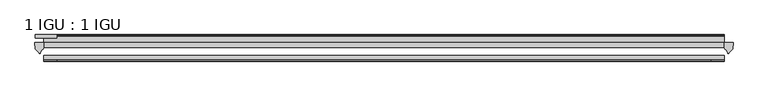
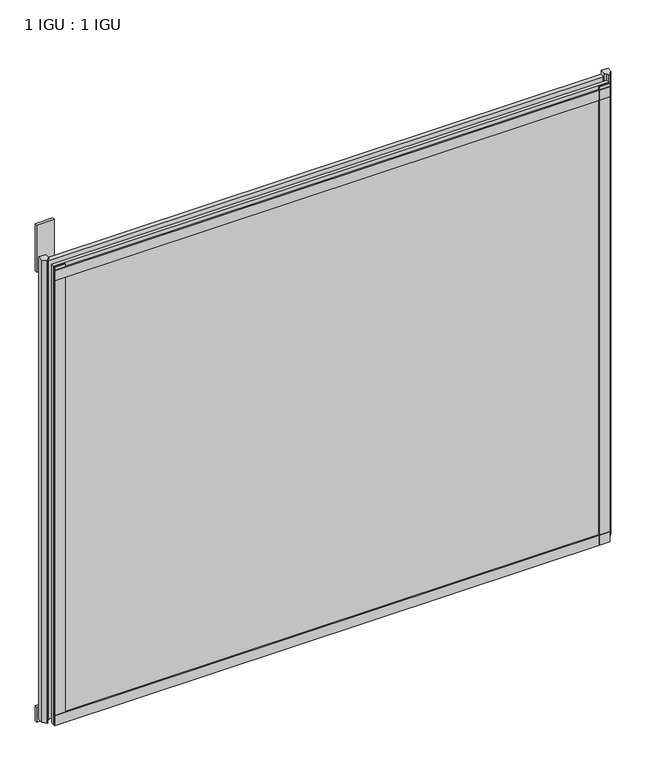
"""IFC4 building model written with IfcOpenShell, lengths in millimetres: plate geometry, 1 IGU : 1 IGU."""

from ifc_helpers import new_model, si_unit, point, frame, frame_2d, origin, place, context, project, spatial, polyline, circle_curve, trimmed, segment, composite_curve, outline, extrude, source, transform, mapped, element, save


def plate_1_igu_1_igu_a392d8fd(model_context):
    return source(origin(), model_context, "Body", "SweptSolid", [
        extrude(outline(polyline([(397.3691094, -11.6085937), (397.3691094, -18.8576359), (-599.5769219, -18.8576359), (-599.5769219, -11.6085937), (397.3691094, -11.6085937)])), frame((0.0, 0.0, -19.05), z_axis=(0.0, 0.0, 1.0), x_axis=(1.0, 0.0, 0.0)), (0.0, 0.0, 1.0), 869.9409101),
        extrude(outline(polyline([(-599.5769219, -30.7093937), (397.3691094, -30.7093937), (397.3691094, -37.0085937), (-599.5769219, -37.0085937), (-599.5769219, -30.7093937)])), frame((0.0, 0.0, -19.05), z_axis=(0.0, 0.0, 1.0), x_axis=(1.0, 0.0, 0.0)), (0.0, 0.0, 1.0), 869.9409101),
        extrude(outline(polyline([(-580.5269219, -5.3578125), (-612.2769219, -5.3578125), (-612.2769219, -0.4960938), (-580.5269219, -0.4960938), (-580.5269219, -5.3578125)])), frame((0.0, 0.0, -28.575), z_axis=(0.0, 0.0, 1.0), x_axis=(1.0, 0.0, 0.0)), (0.0, 0.0, 1.0), 28.575),
        extrude(outline(polyline([(-612.2769219, -5.3578125), (-612.2769219, -0.4960938), (-580.5269219, -0.4960938), (-580.5269219, -5.3578125), (-612.2769219, -5.3578125)])), frame((0.0, 0.0, 825.4909101), z_axis=(0.0, 0.0, 1.0), x_axis=(1.0, 0.0, 0.0)), (0.0, 0.0, 1.0), 88.9),
        extrude(outline(composite_curve([segment(polyline([(410.4470185, -11.6101465), (410.0691094, -21.3502133), (404.1310561, -27.6095865)]), True, "CONTINUOUS"), segment(trimmed(circle_curve(frame_2d((403.45825, -27.2518492)), 0.762), [point((404.1310561, -27.6095865))], [point((402.7295458, -27.4746364))], False, "CARTESIAN"), True, "CONTINUOUS"), segment(polyline([(402.7295458, -27.4746364), (401.4677113, -23.3488397)]), True, "CONTINUOUS"), segment(trimmed(circle_curve(frame_2d((403.6496684, -16.3834724)), 7.2991286), [point((401.4677113, -23.3488397))], [point((397.369288, -20.1028944))], False, "CARTESIAN"), True, "CONTINUOUS"), segment(polyline([(397.369288, -20.1028944), (397.369288, -12.664425)]), True, "CONTINUOUS"), segment(trimmed(circle_curve(frame_2d((403.6505425, -16.3827796)), 7.2993369), [point((397.369288, -12.664425))], [point((398.1276544, -11.6101465))], False, "CARTESIAN"), True, "CONTINUOUS"), segment(polyline([(398.1276544, -11.6101465), (410.4470185, -11.6101465)]), True, "CONTINUOUS")], self_intersect=False)), frame((0.0, 0.0, -19.05), z_axis=(0.0, 0.0, 1.0), x_axis=(1.0, 0.0, 0.0)), (0.0, 0.0, 1.0), 877.0783101),
        extrude(outline(composite_curve([segment(polyline([(-599.5769219, -11.610702), (-599.5769219, -20.1014769)]), True, "CONTINUOUS"), segment(trimmed(circle_curve(frame_2d((-605.8581162, -16.3829847)), 7.2993552), [point((-599.5769219, -20.1014769))], [point((-603.6758716, -23.3484994))], False, "CARTESIAN"), True, "CONTINUOUS"), segment(polyline([(-603.6758716, -23.3484994), (-604.9373583, -27.4746364)]), True, "CONTINUOUS"), segment(trimmed(circle_curve(frame_2d((-605.6660625, -27.2518492)), 0.762), [point((-604.9373583, -27.4746364))], [point((-606.3388686, -27.6095865))], False, "CARTESIAN"), True, "CONTINUOUS"), segment(polyline([(-606.3388686, -27.6095865), (-612.2769219, -21.3502133), (-612.654831, -11.610702), (-599.5769219, -11.610702)]), True, "CONTINUOUS")], self_intersect=False)), frame((0.0, 0.0, -19.05), z_axis=(0.0, 0.0, 1.0), x_axis=(1.0, 0.0, 0.0)), (0.0, 0.0, 1.0), 877.0783101),
        extrude(outline(polyline([(-599.5769219, -39.2945937), (-599.5769219, -37.0085937), (397.3691094, -37.0085937), (397.3691094, -39.2945937), (-599.5769219, -39.2945937)])), frame((0.0, 0.0, -19.05), z_axis=(0.0, 0.0, 1.0), x_axis=(1.0, 0.0, 0.0)), (0.0, 0.0, 1.0), 19.05),
        extrude(outline(composite_curve([segment(trimmed(circle_curve(frame_2d((-2.5575611, 32.8538976)), 31.3272753), [point((-11.6085937, 2.8626158))], [point((-2.2024699, 1.5286348))], True, "CARTESIAN"), True, "CONTINUOUS"), segment(polyline([(-2.2024699, 1.5286348), (-2.2024699, 0.0), (-5.2585937, 0.0), (-5.2585937, -5.2345509), (-3.3544944, -5.5797863), (-5.2585937, -8.255), (-5.2585937, -11.471876)]), True, "CONTINUOUS"), segment(trimmed(circle_curve(frame_2d((-6.5285937, -11.471876)), 1.27), [point((-5.2585937, -11.471876))], [point((-7.4547667, -12.340843))], False, "CARTESIAN"), True, "CONTINUOUS"), segment(polyline([(-7.4547667, -12.340843), (-11.6085937, -7.9135609), (-11.6085937, 2.8626158)]), True, "CONTINUOUS")], self_intersect=False)), frame((-599.5769219, 0.0, 0.0), z_axis=(1.0, 0.0, 0.0), x_axis=(0.0, 1.0, 0.0)), (0.0, 0.0, 1.0), 996.9460312),
        extrude(outline(composite_curve([segment(polyline([(-3.0995937, 840.8103314), (-3.0995937, 838.7783314), (-5.2585937, 838.7783314), (-5.2585937, 833.4443314), (-1.5755937, 833.4443314), (-1.5755937, 830.3963314), (-5.2585937, 830.3963314), (-5.2585937, 825.5703314), (-0.5298657, 826.2349108), (-0.4061408, 825.3545625)]), True, "CONTINUOUS"), segment(trimmed(circle_curve(frame_2d((-1.4122531, 825.2131626)), 1.016), [point((-0.4061408, 825.3545625))], [point((-1.2708533, 824.2070502))], False, "CARTESIAN"), True, "CONTINUOUS"), segment(polyline([(-1.2708533, 824.2070502), (-11.6085937, 822.7541756), (-11.6085937, 840.8103314), (-3.0995937, 840.8103314)]), True, "CONTINUOUS")], self_intersect=False)), frame((-599.5769219, 0.0, 0.0), z_axis=(1.0, 0.0, 0.0), x_axis=(0.0, 1.0, 0.0)), (0.0, 0.0, 1.0), 996.9460312),
        extrude(outline(polyline([(-599.5769219, -39.2945937), (-599.5769219, -37.0085937), (397.3691094, -37.0085937), (397.3691094, -39.2945937), (-599.5769219, -39.2945937)])), frame((0.0, 0.0, 825.4909101), z_axis=(0.0, 0.0, 1.0), x_axis=(1.0, 0.0, 0.0)), (0.0, 0.0, 1.0), 19.05),
        extrude(outline(polyline([(378.3191094, -37.0085937), (397.3691094, -37.0085937), (397.3691094, -39.2945938), (378.3191094, -39.2945938), (378.3191094, -37.0085937)])), frame((0.0, 0.0, -19.05), z_axis=(0.0, 0.0, 1.0), x_axis=(1.0, 0.0, 0.0)), (0.0, 0.0, 1.0), 869.9409101),
        extrude(outline(polyline([(-599.5769219, -39.2945937), (-599.5769219, -37.0085937), (-580.5269219, -37.0085937), (-580.5269219, -39.2945937), (-599.5769219, -39.2945937)])), frame((0.0, 0.0, -19.05), z_axis=(0.0, 0.0, 1.0), x_axis=(1.0, 0.0, 0.0)), (0.0, 0.0, 1.0), 869.9409101),
    ])


if __name__ == "__main__":
    model = new_model("IFC4")
    model_context = context("Model", 3, world=origin())
    ifc_project = project(units=[si_unit("LENGTHUNIT", "METRE", prefix="MILLI")], contexts=[model_context])
    site = spatial("IfcSite", under=ifc_project)
    building = spatial("IfcBuilding", under=site)
    placement = place(None, origin())
    plate_1_igu_1_igu_shape = plate_1_igu_1_igu_a392d8fd(model_context)
    element("IfcPlate", 1, ObjectType="1 IGU : 1 IGU", at=placement, inside=building, context=model_context, shape_type="MappedRepresentation", body=[
        mapped(plate_1_igu_1_igu_shape, transform((0.0, 0.0, 0.0), x_axis=(1.0, 0.0, 0.0), y_axis=(0.0, 1.0, 0.0), z_axis=(0.0, 0.0, 1.0))),
    ])
    save(model, "model.ifc")
